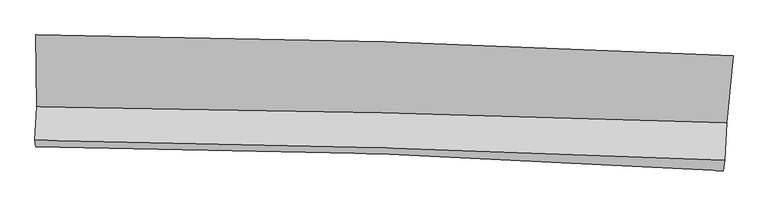
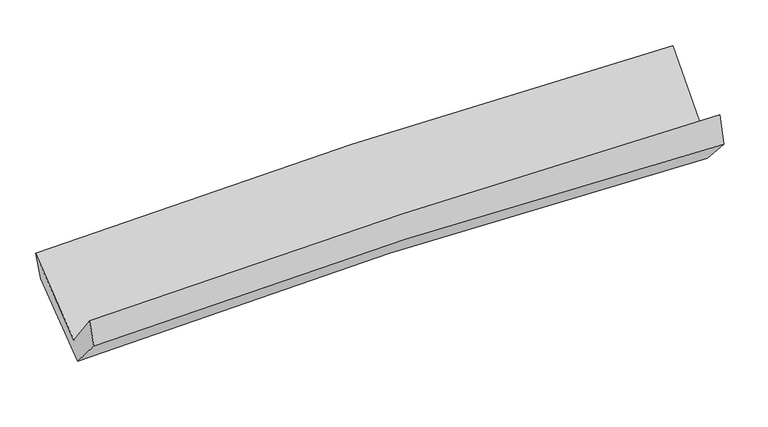
"""IFC4 building model written with IfcOpenShell, lengths in millimetres: proxy geometry."""

from ifc_helpers import new_model, si_unit, frame, origin, place, context, project, spatial, source, transform, mapped, element, save
from ifc_brep_helpers import plane_surface, spline_curve, spline_surface, advanced_brep


def generic_models_04c6b058(model_context):
    return source(origin(), model_context, "Body", "AdvancedBrep", [
        advanced_brep(
        [(-2527.3164303, -1127.5962698, 2176.5982778), (-2517.9055236, -1649.5881627, 1746.0889581), (2505.9521269, -1767.6480664, 1863.9136606), (2552.2216256, -1278.9194517, 2269.5299952), (-2532.4447917, -1894.8611516, 2066.1977709), (2489.9871946, -2041.4365431, 2160.4150411), (-2526.0160652, -1941.543987, 1873.7681283), (2480.2460103, -2116.0139404, 1957.4960583), (-2512.876234, -1695.9290191, 1592.3269792), (2495.1854914, -1859.546521, 1678.9404191), (-2521.4851584, -1191.216928, 1995.0727201), (2540.6463528, -1376.6815549, 2066.3539944)],
        [
            (0, 1),
            (1, 2, spline_curve(3, [(-2517.9055236, -1649.5881627, 1746.0889581), (-1682.898955935, -1659.560515464, 1782.080520699), (-847.412932342, -1674.361486957, 1809.892420205), (827.203199558, -1713.683718682, 1849.219952533), (1666.336392524, -1738.236048528, 1860.682953911), (2505.9521269, -1767.6480664, 1863.9136606)], [4, 2, 4], [0.0, 8.279263290857452, 16.585120079455308])),
            (2, 3),
            (3, 0, spline_curve(3, [(2552.2216256, -1278.9194517, 2269.5299952), (1704.730784197, -1237.285590652, 2276.026084423), (857.011425056, -1203.851301348, 2271.499755883), (-836.169387605, -1153.462663178, 2240.452047328), (-1681.629380895, -1136.455891785, 2214.00113659), (-2527.3164303, -1127.5962698, 2176.5982778)], [4, 2, 4], [0.0, 8.305856788597856, 16.585120079455308])),
            (1, 4),
            (4, 5, spline_curve(3, [(-2532.4447917, -1894.8611516, 2066.1977709), (-1697.066105773, -1907.627697643, 2099.899682247), (-861.512148989, -1926.196682129, 2124.603938167), (812.630718547, -1975.017810566, 2156.06758979), (1651.220757532, -2005.307289724, 2162.769090493), (2489.9871946, -2041.4365431, 2160.4150411)], [4, 2, 4], [0.0, 8.232140059125157, 16.490722253301485])),
            (5, 2),
            (4, 6),
            (6, 7, spline_curve(3, [(-2526.0160652, -1941.543987, 1873.7681283), (-1692.496218383, -1946.358923781, 1907.493196564), (-859.216346236, -1963.262826824, 1931.337738988), (809.539223103, -2021.341692037, 1959.310624482), (1645.013376264, -2062.594440229, 1963.375392392), (2480.2460103, -2116.0139404, 1957.4960583)], [4, 2, 4], [0.0, 8.219112258141628, 16.464624805244522])),
            (7, 5),
            (6, 8),
            (8, 9, spline_curve(3, [(-2512.876234, -1695.9290191, 1592.3269792), (-1679.149571626, -1697.464245016, 1629.863852891), (-845.616635781, -1711.824189891, 1655.857042331), (823.738519256, -1766.280837506, 1684.802466361), (1659.559491925, -1806.460059651, 1687.680423255), (2495.1854914, -1859.546521, 1678.9404191)], [4, 2, 4], [0.0, 8.208402041786364, 16.44316997066701])),
            (9, 7),
            (8, 10),
            (10, 11, spline_curve(3, [(-2521.4851584, -1191.216928, 1995.0727201), (-1677.370380036, -1184.489394639, 2039.735834232), (-834.143680571, -1196.526095698, 2068.024270832), (853.239204103, -1258.226900581, 2091.890057689), (1697.389675037, -1308.011742055, 2087.362045626), (2540.6463528, -1376.6815549, 2066.3539944)], [4, 2, 4], [0.0, 8.255493033330817, 16.537503212887707])),
            (11, 9),
            (10, 0),
            (3, 11),
        ],
        [
            spline_surface(3, 3, [[(-2527.3164303, -1127.5962698, 2176.5982778), (-1681.629380819, -1136.455891654, 2214.001136573), (-836.169387741, -1153.462663116, 2240.452047206), (857.011425192, -1203.85130141, 2271.499756006), (1704.730784109, -1237.285590584, 2276.026084459), (2552.2216256, -1278.9194517, 2269.5299952)], [(-2524.179461414, -1301.593567424, 2033.095171254), (-1682.052572555, -1310.824099586, 2070.027597982), (-839.917235912, -1327.095604369, 2096.932171528), (847.075349977, -1373.795440496, 2130.739821515), (1691.932653621, -1404.269076555, 2137.578374275), (2536.798459364, -1441.82898994, 2134.324550314)], [(-2521.042492486, -1475.590865076, 1889.592064646), (-1682.475764248, -1485.192307546, 1926.054059328), (-843.665084121, -1500.72854567, 1953.412295866), (837.139274723, -1543.739579631, 1989.97988704), (1679.134523142, -1571.252562506, 1999.130664149), (2521.375293136, -1604.73852816, 1999.119105486)], [(-2517.9055236, -1649.5881627, 1746.0889581), (-1682.898955983, -1659.560515478, 1782.080520737), (-847.412932292, -1674.361486922, 1809.892420188), (827.203199508, -1713.683718717, 1849.21995255), (1666.336392655, -1738.236048478, 1860.682953965), (2505.9521269, -1767.6480664, 1863.9136606)]], [4, 4], [4, 2, 4], [0.0, 2.1955374065465], [0.0, 8.279263290857452, 16.585120079455308]),
            spline_surface(3, 3, [[(-2517.9055236, -1649.5881627, 1746.0889581), (-1682.898955983, -1659.560515478, 1782.080520737), (-847.412932292, -1674.361486922, 1809.892420188), (827.203199508, -1713.683718717, 1849.21995255), (1666.336392655, -1738.236048478, 1860.682953965), (2505.9521269, -1767.6480664, 1863.9136606)], [(-2522.751946306, -1731.345825677, 1852.791895702), (-1687.621339217, -1742.249576203, 1888.020241232), (-852.112671229, -1758.306551984, 1914.796259514), (822.345705864, -1800.795082652, 1951.502498282), (1661.297847587, -1827.25979561, 1961.378332833), (2500.630482813, -1858.91089198, 1962.7474541)], [(-2527.598368994, -1813.103488623, 1959.494833298), (-1692.343722435, -1824.938636896, 1993.959961721), (-856.812410124, -1842.251617078, 2019.700098863), (817.488212263, -1887.906446619, 2053.785044037), (1656.259302481, -1916.283542701, 2062.073711701), (2495.308838687, -1950.17371752, 2061.5812476)], [(-2532.4447917, -1894.8611516, 2066.1977709), (-1697.066105669, -1907.627697621, 2099.899682217), (-861.512149061, -1926.19668214, 2124.603938188), (812.630718619, -1975.017810554, 2156.067589769), (1651.220757413, -2005.307289833, 2162.769090568), (2489.9871946, -2041.4365431, 2160.4150411)]], [4, 4], [4, 2, 4], [0.0, 1.3230579976110883], [0.0, 8.232140059125157, 16.490722253301485]),
            spline_surface(3, 3, [[(-2532.4447917, -1894.8611516, 2066.1977709), (-1697.066105669, -1907.627697621, 2099.899682217), (-861.512149061, -1926.19668214, 2124.603938188), (812.630718619, -1975.017810554, 2156.067589769), (1651.220757413, -2005.307289833, 2162.769090568), (2489.9871946, -2041.4365431, 2160.4150411)], [(-2530.301882872, -1910.42209672, 2002.054556675), (-1695.542809867, -1920.538106319, 2035.764186999), (-860.746881448, -1938.552063682, 2060.181871754), (811.600220098, -1990.459104435, 2090.481934688), (1649.151630323, -2024.403006637, 2096.304524466), (2486.740133153, -2066.295675519, 2092.775380159)], [(-2528.158974028, -1925.98304188, 1937.911342525), (-1694.019514049, -1933.448515057, 1971.628691858), (-859.981613819, -1950.907445173, 1995.759805349), (810.569721593, -2005.900398265, 2024.896279637), (1647.082503274, -2043.498723485, 2029.839958387), (2483.493071747, -2091.154807981, 2025.135719241)], [(-2526.0160652, -1941.543987, 1873.7681283), (-1692.496218247, -1946.358923755, 1907.49319664), (-859.216346206, -1963.262826715, 1931.337738914), (809.539223072, -2021.341692147, 1959.310624556), (1645.013376183, -2062.594440289, 1963.375392285), (2480.2460103, -2116.0139404, 1957.4960583)]], [4, 4], [4, 2, 4], [0.0, 0.6542918099709297], [0.0, 8.219112258141628, 16.464624805244522]),
            spline_surface(3, 3, [[(-2526.0160652, -1941.543987, 1873.7681283), (-1692.496218247, -1946.358923755, 1907.49319664), (-859.216346206, -1963.262826715, 1931.337738914), (809.539223072, -2021.341692147, 1959.310624556), (1645.013376183, -2062.594440289, 1963.375392285), (2480.2460103, -2116.0139404, 1957.4960583)], [(-2521.636121454, -1859.672331035, 1779.954411943), (-1688.047336038, -1863.394030813, 1814.950082066), (-854.683109404, -1879.44994779, 1839.510840125), (814.272321781, -1936.321407228, 1867.807905146), (1649.862081402, -1977.216313411, 1871.477069307), (2485.22583735, -2030.524800611, 1864.644178592)], [(-2517.256177746, -1777.800675065, 1686.140695557), (-1683.598453864, -1780.429137865, 1722.406967464), (-850.149872564, -1795.637068898, 1747.683941245), (819.005420528, -1851.301122342, 1776.305185646), (1654.71078657, -1891.8381865, 1779.578746252), (2490.20566435, -1945.035660789, 1771.792298808)], [(-2512.876234, -1695.9290191, 1592.3269792), (-1679.149571654, -1697.464244922, 1629.86385289), (-845.616635762, -1711.824189973, 1655.857042456), (823.738519237, -1766.280837424, 1684.802466236), (1659.559491788, -1806.460059622, 1687.680423274), (2495.1854914, -1859.546521, 1678.9404191)]], [4, 4], [4, 2, 4], [0.0, 1.2273704048278589], [0.0, 8.208402041786364, 16.44316997066701]),
            spline_surface(3, 3, [[(-2512.876234, -1695.9290191, 1592.3269792), (-1679.149571654, -1697.464244922, 1629.86385289), (-845.616635762, -1711.824189973, 1655.857042456), (823.738519237, -1766.280837424, 1684.802466236), (1659.559491788, -1806.460059622, 1687.680423274), (2495.1854914, -1859.546521, 1678.9404191)], [(-2515.745875476, -1527.691655419, 1726.575559511), (-1678.556507815, -1526.472628202, 1766.487846653), (-841.792317346, -1540.058158553, 1793.246118594), (833.572080883, -1596.929525173, 1820.498329986), (1672.16955283, -1640.31062039, 1820.907630682), (2510.339111843, -1698.591532275, 1808.078277514)], [(-2518.615516924, -1359.454291681, 1860.824139789), (-1677.963443946, -1355.481011425, 1903.111840381), (-837.967998994, -1368.292127081, 1930.635194814), (843.405642464, -1427.578212869, 1956.194193818), (1684.779613942, -1474.161181234, 1954.134838148), (2525.492732357, -1537.636543625, 1937.216135986)], [(-2521.4851584, -1191.216928, 1995.0727201), (-1677.370380106, -1184.489394705, 2039.735834143), (-834.143680577, -1196.526095661, 2068.024270953), (853.23920411, -1258.226900619, 2091.890057568), (1697.389674984, -1308.011742002, 2087.362045556), (2540.6463528, -1376.6815549, 2066.3539944)]], [4, 4], [4, 2, 4], [0.0, 2.151413650142393], [0.0, 8.255493033330817, 16.537503212887707]),
            spline_surface(3, 3, [[(-2521.4851584, -1191.216928, 1995.0727201), (-1677.370380106, -1184.489394705, 2039.735834143), (-834.143680577, -1196.526095661, 2068.024270953), (853.23920411, -1258.226900619, 2091.890057568), (1697.389674984, -1308.011742002, 2087.362045556), (2540.6463528, -1376.6815549, 2066.3539944)], [(-2523.428915678, -1170.010041924, 2055.581239315), (-1678.790046988, -1168.478227012, 2097.824268268), (-834.8189163, -1182.171618149, 2125.500196391), (854.496611135, -1240.101700886, 2151.759957067), (1699.836711369, -1284.436358204, 2150.250058545), (2544.504777077, -1344.094187175, 2134.079328021)], [(-2525.372673022, -1148.803155876, 2116.089758585), (-1680.209713937, -1152.467059348, 2155.912702448), (-835.494152018, -1167.817140628, 2182.976121768), (855.754018167, -1221.976501143, 2211.629856506), (1702.283747723, -1260.860974382, 2213.138071471), (2548.363201323, -1311.506819425, 2201.804661579)], [(-2527.3164303, -1127.5962698, 2176.5982778), (-1681.629380819, -1136.455891654, 2214.001136573), (-836.169387741, -1153.462663116, 2240.452047206), (857.011425192, -1203.85130141, 2271.499756006), (1704.730784109, -1237.285590584, 2276.026084459), (2552.2216256, -1278.9194517, 2269.5299952)]], [4, 4], [4, 2, 4], [0.0, 0.5992614670509934], [0.0, 8.313172690709996, 16.653047798217163]),
            plane_surface(frame((2510.7064669, -1740.0410129, 1999.4415281), z_axis=(0.9967231440151025, -0.07863842855597519, -0.018946549524812697), x_axis=(0.07323690100095602, 0.7778896547459577, 0.6241186116204122))),
            plane_surface(frame((-2523.0073672, -1583.4559197, 1908.3421391), z_axis=(-0.9992711883411831, 0.011897948111208947, -0.03627024926772046), x_axis=(0.03030177967667515, -0.3306001201548833, -0.943284348805811))),
        ],
        [
            (0, [[1, 2, 3, 4]]),
            (1, [[5, 6, 7, -2]]),
            (2, [[8, 9, 10, -6]]),
            (3, [[11, 12, 13, -9]]),
            (4, [[14, 15, 16, -12]]),
            (5, [[17, -4, 18, -15]]),
            (6, [[-16, -18, -3, -7, -10, -13]]),
            (7, [[-17, -14, -11, -8, -5, -1]]),
        ],
    ),
    ])


if __name__ == "__main__":
    model = new_model("IFC4")
    model_context = context("Model", 3, world=origin())
    ifc_project = project(units=[si_unit("LENGTHUNIT", "METRE", prefix="MILLI")], contexts=[model_context])
    site = spatial("IfcSite", under=ifc_project)
    building = spatial("IfcBuilding", under=site)
    placement = place(None, origin())
    generic_models_shape = generic_models_04c6b058(model_context)
    element("IfcBuildingElementProxy", 1, Name="Generic Models", at=placement, inside=building, context=model_context, shape_type="MappedRepresentation", body=[
        mapped(generic_models_shape, transform((0.0, 0.0, 0.0), x_axis=(1.0, 0.0, 0.0), y_axis=(0.0, 1.0, 0.0), z_axis=(0.0, 0.0, 1.0))),
    ])
    save(model, "model.ifc")
